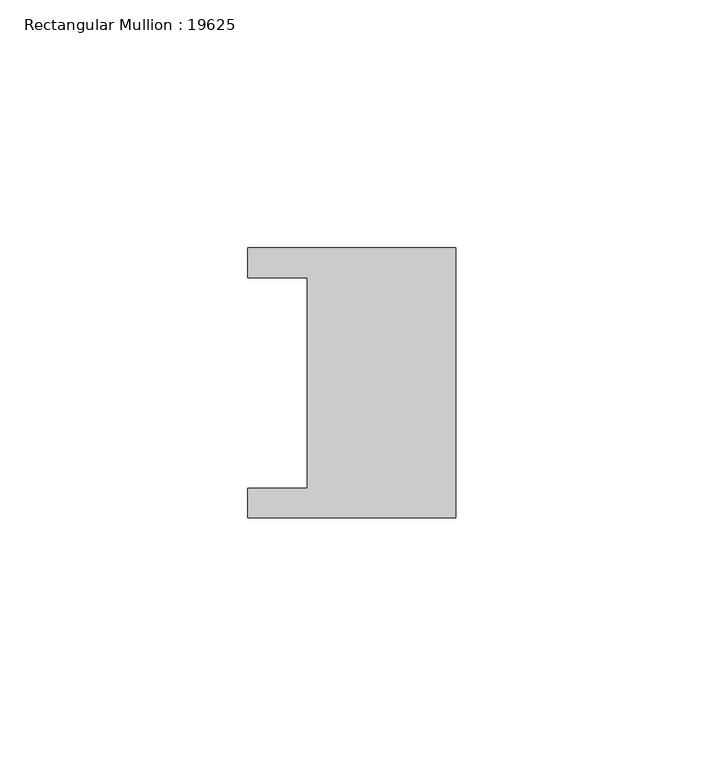
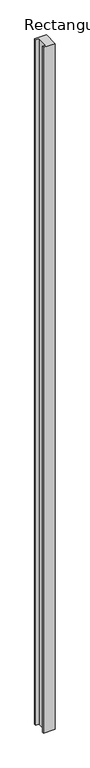
"""IFC4 building model written with IfcOpenShell, lengths in millimetres: member geometry, Rectangular Mullion : 19625."""

from ifc_helpers import new_model, si_unit, frame, origin, place, context, project, spatial, polyline, outline, extrude, source, transform, mapped, element, save


def rectangular_mullion_19625_4c54ebc2(model_context):
    return source(origin(), model_context, "Body", "SweptSolid", [
        extrude(outline(polyline([(0.0, 27.25), (0.0, -27.25), (-42.0, -27.25), (-42.0, -21.25), (-30.0, -21.25), (-30.0, 21.25), (-42.0, 21.25), (-42.0, 27.25), (0.0, 27.25)])), frame((0.0, 0.0, -2616.0), z_axis=(0.0, 0.0, 1.0), x_axis=(1.0, 0.0, 0.0)), (0.0, 0.0, 1.0), 2616.0),
    ])


if __name__ == "__main__":
    model = new_model("IFC4")
    model_context = context("Model", 3, world=origin())
    ifc_project = project(units=[si_unit("LENGTHUNIT", "METRE", prefix="MILLI")], contexts=[model_context])
    site = spatial("IfcSite", under=ifc_project)
    building = spatial("IfcBuilding", under=site)
    placement = place(None, origin())
    rectangular_mullion_19625_shape = rectangular_mullion_19625_4c54ebc2(model_context)
    element("IfcMember", 1, ObjectType="Rectangular Mullion : 19625", at=placement, inside=building, context=model_context, shape_type="MappedRepresentation", body=[
        mapped(rectangular_mullion_19625_shape, transform((0.0, 0.0, 0.0), x_axis=(1.0, 0.0, 0.0), y_axis=(0.0, 1.0, 0.0), z_axis=(0.0, 0.0, 1.0))),
    ])
    save(model, "model.ifc")
